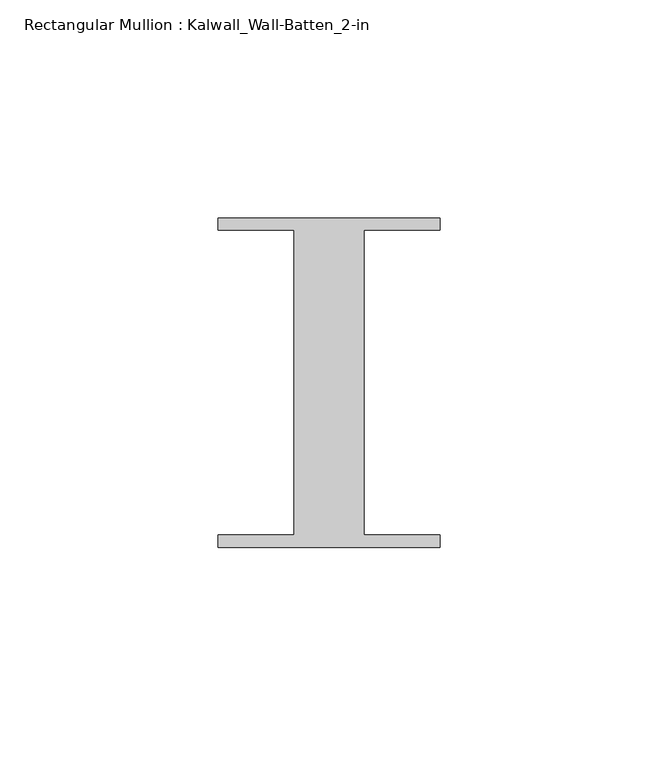
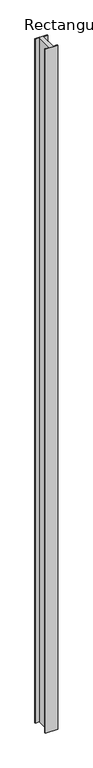
"""IFC4 building model written with IfcOpenShell, lengths in millimetres: member geometry, Rectangular Mullion : Kalwall_Wall-Batten_2-in."""

from ifc_helpers import new_model, si_unit, frame, origin, place, context, project, spatial, polyline, outline, extrude, source, transform, mapped, element, save


def rectangular_mullion_kalwall_wall_batten_2_in_0078719e(model_context):
    return source(origin(), model_context, "Body", "SweptSolid", [
        extrude(outline(polyline([(-25.5, 37.794), (25.5, 37.794), (25.5, 35.0), (8.0, 35.0), (8.0, -35.0), (25.5, -35.0), (25.5, -37.794), (-25.5, -37.794), (-25.5, -35.0), (-8.0, -35.0), (-8.0, 35.0), (-25.5, 35.0), (-25.5, 37.794)])), frame((0.0, 0.0, -3013.075), z_axis=(0.0, 0.0, 1.0), x_axis=(1.0, 0.0, 0.0)), (0.0, 0.0, 1.0), 3013.075),
    ])


if __name__ == "__main__":
    model = new_model("IFC4")
    model_context = context("Model", 3, world=origin())
    ifc_project = project(units=[si_unit("LENGTHUNIT", "METRE", prefix="MILLI")], contexts=[model_context])
    site = spatial("IfcSite", under=ifc_project)
    building = spatial("IfcBuilding", under=site)
    placement = place(None, origin())
    rectangular_mullion_kalwall_wall_batten_2_in_shape = rectangular_mullion_kalwall_wall_batten_2_in_0078719e(model_context)
    element("IfcMember", 1, ObjectType="Rectangular Mullion : Kalwall_Wall-Batten_2-in", at=placement, inside=building, context=model_context, shape_type="MappedRepresentation", body=[
        mapped(rectangular_mullion_kalwall_wall_batten_2_in_shape, transform((0.0, 0.0, 0.0), x_axis=(1.0, 0.0, 0.0), y_axis=(0.0, 1.0, 0.0), z_axis=(0.0, 0.0, 1.0))),
    ])
    save(model, "model.ifc")
